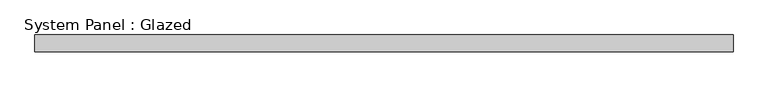
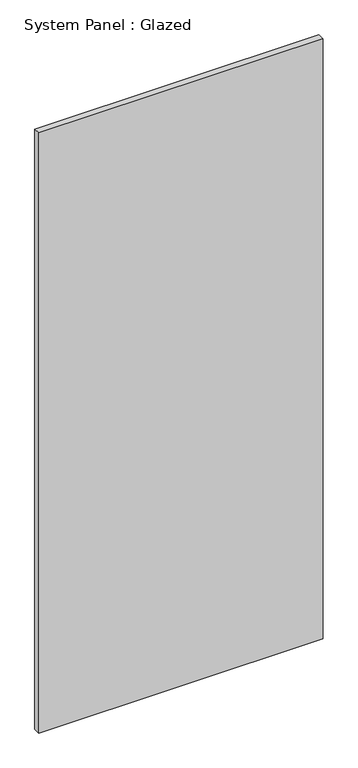
"""IFC4 building model written with IfcOpenShell, lengths in millimetres: plate geometry, System Panel : Glazed."""

from ifc_helpers import new_model, si_unit, origin, origin_with_axes, place, context, project, spatial, polyline, outline, extrude, source, transform, mapped, element, save


def system_panel_glazed_5ab819b8(model_context):
    return source(origin(), model_context, "Body", "SweptSolid", [
        extrude(outline(polyline([(530.80746, -12.7), (-530.80746, -12.7), (-530.80746, 12.7), (530.80746, 12.7), (530.80746, -12.7)])), origin_with_axes(), (0.0, 0.0, 1.0), 2368.55),
    ])


if __name__ == "__main__":
    model = new_model("IFC4")
    model_context = context("Model", 3, world=origin())
    ifc_project = project(units=[si_unit("LENGTHUNIT", "METRE", prefix="MILLI")], contexts=[model_context])
    site = spatial("IfcSite", under=ifc_project)
    building = spatial("IfcBuilding", under=site)
    placement = place(None, origin())
    system_panel_glazed_shape = system_panel_glazed_5ab819b8(model_context)
    element("IfcPlate", 1, ObjectType="System Panel : Glazed", at=placement, inside=building, context=model_context, shape_type="MappedRepresentation", body=[
        mapped(system_panel_glazed_shape, transform((0.0, 0.0, 0.0), x_axis=(1.0, 0.0, 0.0), y_axis=(0.0, 1.0, 0.0), z_axis=(0.0, 0.0, 1.0))),
    ])
    save(model, "model.ifc")
